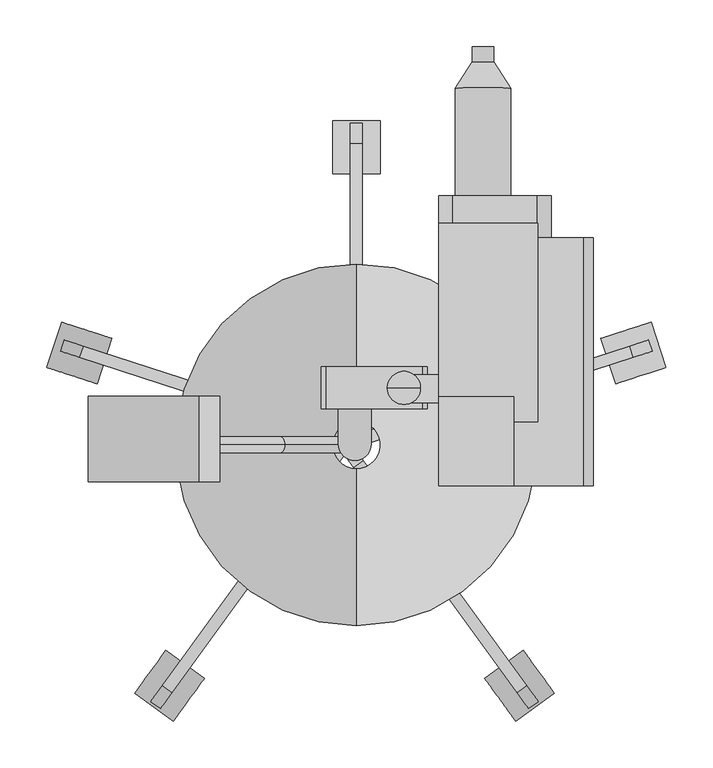
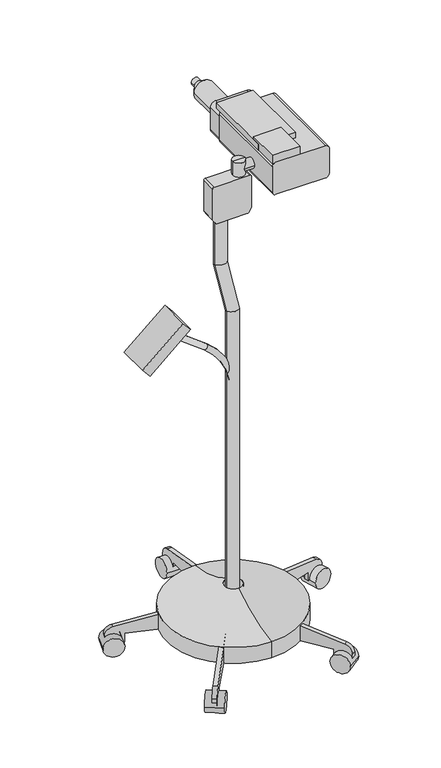
"""IFC4 building model written with IfcOpenShell, lengths in millimetres: proxy geometry."""

from ifc_helpers import new_model, si_unit, point, frame, frame_2d, origin, place, context, project, spatial, polyline, circle_curve, ellipse_curve, trimmed, segment, composite_curve, outline, extrude, source, transform, mapped, element, save
from ifc_brep_helpers import plane_surface, cylinder_surface, revolved_surface, advanced_brep


def specialty_equipment_b25eae7f(model_context):
    return source(origin(), model_context, "Body", "SolidModel", [
        advanced_brep(
        [(9.5714554, -4.1227801, 199.1860471), (-7.3618779, -4.1227801, 199.1860471), (-174.5404701, -4.1227801, 999.3949421), (-184.7312045, -4.1227801, 985.8713808), (9.5714554, -4.1227801, 755.1235479), (-7.3618779, -4.1227801, 755.1235479), (-84.9017657, -4.1227801, 910.6445029), (-74.7110313, -4.1227801, 924.1680642)],
        [
            (0, 1, circle_curve(frame((1.1047888, -4.1227801, 199.1860471), z_axis=(0.0, 0.0, -1.0), x_axis=(-1.0, 0.0, 0.0)), 8.4666667)),
            (1, 0, circle_curve(frame((1.1047888, -4.1227801, 199.1860471), z_axis=(0.0, 0.0, -1.0), x_axis=(-1.0, 0.0, 0.0)), 8.4666667)),
            (2, 3, circle_curve(frame((-179.6358373, -4.1227801, 992.6331615), z_axis=(-0.7986355100472928, 0.0, 0.6018150231520483), x_axis=(-0.6018150231520483, 0.0, -0.7986355100472928)), 8.4666667)),
            (3, 2, circle_curve(frame((-179.6358373, -4.1227801, 992.6331615), z_axis=(-0.7986355100472928, 0.0, 0.6018150231520483), x_axis=(-0.6018150231520483, 0.0, -0.7986355100472928)), 8.4666667)),
            (0, 4),
            (4, 5, circle_curve(frame((1.1047888, -4.1227801, 755.1235479), z_axis=(0.0, 0.0, -1.0), x_axis=(-1.0, 0.0, 0.0)), 8.4666667)),
            (5, 1),
            (5, 4, circle_curve(frame((1.1047888, -4.1227801, 755.1235479), z_axis=(0.0, 0.0, -1.0), x_axis=(-1.0, 0.0, 0.0)), 8.4666667)),
            (6, 5, circle_curve(frame((-202.0952112, -4.1227801, 755.1235479), z_axis=(0.0, 1.0, 0.0), x_axis=(1.0, 0.0, 0.0)), 194.7333333)),
            (4, 7, circle_curve(frame((-202.0952112, -4.1227801, 755.1235479), z_axis=(0.0, -1.0, 0.0), x_axis=(1.0, 0.0, 0.0)), 211.6666667)),
            (7, 6, circle_curve(frame((-79.8063985, -4.1227801, 917.4062836), z_axis=(0.7986355100472923, 0.0, -0.601815023152049), x_axis=(-0.601815023152049, 0.0, -0.7986355100472923)), 8.4666667)),
            (6, 7, circle_curve(frame((-79.8063985, -4.1227801, 917.4062836), z_axis=(0.7986355100472928, 0.0, -0.6018150231520484), x_axis=(-0.6018150231520484, 0.0, -0.7986355100472928)), 8.4666667)),
            (7, 2),
            (3, 6),
        ],
        [
            plane_surface(frame((1.1047888, -4.1227801, 199.1860471), z_axis=(0.0, 0.0, -1.0), x_axis=(0.0, -1.0, 0.0))),
            plane_surface(frame((-179.6358373, -4.1227801, 992.6331615), z_axis=(-0.798635510047293, 0.0, 0.6018150231520483), x_axis=(0.0, -1.0, 0.0))),
            cylinder_surface(frame((1.1047888, -4.1227801, 199.1860471), z_axis=(0.0, 0.0, -1.0), x_axis=(-1.0, 0.0, 0.0)), 8.4666667),
            revolved_surface(trimmed(ellipse_curve(frame((1.1047888, -4.1227801, 755.1235479), z_axis=(0.0, 0.0, -1.0), x_axis=(-1.0, 0.0, 0.0)), 8.4666667, 8.4666667), [point((9.5714554, -4.1227801, 755.1235479))], [point((-7.3618779, -4.1227801, 755.1235479))], True, "CARTESIAN"), (-202.0952112, -4.1227801, 755.1235479), (0.0, -1.0, 0.0)),
            revolved_surface(trimmed(ellipse_curve(frame((1.1047888, -4.1227801, 755.1235479), z_axis=(0.0, 0.0, -1.0), x_axis=(-1.0, 0.0, 0.0)), 8.4666667, 8.4666667), [point((-7.3618779, -4.1227801, 755.1235479))], [point((9.5714554, -4.1227801, 755.1235479))], True, "CARTESIAN"), (-202.0952112, -4.1227801, 755.1235479), (0.0, -1.0, 0.0)),
            cylinder_surface(frame((-79.8063985, -4.1227801, 917.4062836), z_axis=(0.7986355100472928, 0.0, -0.6018150231520483), x_axis=(-0.6018150231520483, 0.0, -0.7986355100472928)), 8.4666667),
        ],
        [
            (0, [[1, 2]]),
            (1, [[3, 4]]),
            (2, [[-1, 5, 6, 7]]),
            (2, [[-2, -7, 8, -5]]),
            (3, [[9, -6, 10, 11]]),
            (4, [[-10, -8, -9, 12]]),
            (5, [[-11, 13, -4, 14]]),
            (5, [[-12, -14, -3, -13]]),
        ],
    ),
        extrude(outline(polyline([(0.0, -155.9720028), (0.0, 0.0), (91.2068694, 0.0), (91.2068694, -155.9720028), (0.0, -155.9720028)])), frame((-262.5938418, -43.5678371, 914.6944203), z_axis=(-0.6560590289905099, 0.0, 0.7547095802227698), x_axis=(0.0, 1.0, 0.0)), (0.0, 0.0, 1.0), 34.0882121),
        advanced_brep(
        [(1.1047888, 21.2772198, 53.5835944), (1.1047888, -29.5227802, 53.5835944), (1.1047888, -197.1299211, 53.5835944), (1.1047888, 188.8843608, 53.5835944), (1.1047888, 21.2772198, 164.1860471), (1.1047888, -29.5227801, 164.1860471), (1.1047888, 188.8843608, 102.4303905), (1.1047888, -197.1299211, 102.4303905)],
        [
            (0, 1, circle_curve(frame((1.1047888, -4.1227802, 53.5835944), z_axis=(0.0, 0.0, 1.0), x_axis=(0.0, -1.0, 0.0)), 25.4)),
            (1, 2),
            (2, 3, circle_curve(frame((1.1047888, -4.1227802, 53.5835944), z_axis=(0.0, 0.0, -1.0), x_axis=(0.0, -1.0, 0.0)), 193.007141)),
            (3, 0),
            (1, 0, circle_curve(frame((1.1047888, -4.1227802, 53.5835944), z_axis=(0.0, 0.0, 1.0), x_axis=(0.0, -1.0, 0.0)), 25.4)),
            (3, 2, circle_curve(frame((1.1047888, -4.1227802, 53.5835944), z_axis=(0.0, 0.0, -1.0), x_axis=(0.0, -1.0, 0.0)), 193.007141)),
            (4, 5, circle_curve(frame((1.1047888, -4.1227802, 164.1860471), z_axis=(0.0, 0.0, 1.0), x_axis=(0.0, -1.0, 0.0)), 25.4)),
            (5, 1),
            (0, 4),
            (5, 4, circle_curve(frame((1.1047888, -4.1227802, 164.1860471), z_axis=(0.0, 0.0, 1.0), x_axis=(0.0, -1.0, 0.0)), 25.4)),
            (6, 7, circle_curve(frame((1.1047888, -4.1227802, 102.4303905), z_axis=(0.0, 0.0, 1.0), x_axis=(0.0, -1.0, 0.0)), 193.007141)),
            (7, 5, circle_curve(frame((1.1047888, -248.0724141, 499.0140294), z_axis=(1.0, 0.0, 0.0), x_axis=(0.0, 1.0, 0.0)), 399.8421192)),
            (4, 6, circle_curve(frame((1.1047888, 239.8268538, 499.0140294), z_axis=(1.0, 0.0, 0.0), x_axis=(0.0, -1.0, 0.0)), 399.8421192)),
            (7, 6, circle_curve(frame((1.1047888, -4.1227802, 102.4303905), z_axis=(0.0, 0.0, 1.0), x_axis=(0.0, -1.0, 0.0)), 193.007141)),
            (2, 7),
            (6, 3),
        ],
        [
            plane_surface(frame((1.1047888, -4.1227802, 53.5835944), z_axis=(0.0, 0.0, -1.0), x_axis=(0.0, -1.0, 0.0))),
            revolved_surface(polyline([(1.1047888, -29.5227801, 53.58359439999998), (1.1047888, -29.5227801, 164.1860471)]), (1.1047888, -4.1227801, 384.175), (0.0, 0.0, -1.0)),
            revolved_surface(trimmed(ellipse_curve(frame((1.1047888, -248.0724141, 499.0140294), z_axis=(-1.0, 0.0, 0.0), x_axis=(0.0, 1.0, 0.0)), 399.8421192, 399.8421192), [point((1.1047888, -29.5227801, 164.1860471))], [point((1.1047888, -197.1299211, 102.4303905))], True, "CARTESIAN"), (1.1047888, -4.1227801, 384.175), (0.0, 0.0, -1.0)),
            cylinder_surface(frame((1.1047888, -4.1227801, 384.175), z_axis=(0.0, 0.0, -1.0), x_axis=(0.0, -1.0, 0.0)), 193.007141),
        ],
        [
            (0, [[1, 2, 3, 4]]),
            (0, [[5, -4, 6, -2]]),
            (1, [[7, 8, -1, 9]]),
            (1, [[10, -9, -5, -8]]),
            (2, [[11, 12, -7, 13]]),
            (2, [[14, -13, -10, -12]]),
            (3, [[-3, 15, -11, 16]]),
            (3, [[-6, -16, -14, -15]]),
        ],
    ),
        extrude(outline(composite_curve([segment(trimmed(circle_curve(frame_2d((55.5045796, 1385.6294864)), 15.0), [point((70.5045796, 1385.6294864))], [point((40.5045796, 1385.6294864))], False, "CARTESIAN"), True, "CONTINUOUS"), segment(trimmed(circle_curve(frame_2d((55.5045796, 1385.6294864)), 15.0), [point((40.5045796, 1385.6294864))], [point((70.5045796, 1385.6294864))], False, "CARTESIAN"), True, "CONTINUOUS")], self_intersect=False)), frame((53.7457256, 0.0, 0.0), z_axis=(1.0, 0.0, 0.0), x_axis=(0.0, 1.0, 0.0)), (0.0, 0.0, 1.0), 45.0),
        extrude(outline(composite_curve([segment(trimmed(circle_curve(frame_2d((1435.6296176, 243.7417538)), 10.0), [point((1435.6296176, 253.7417538))], [point((1445.6296176, 243.7417538))], False, "CARTESIAN"), True, "CONTINUOUS"), segment(polyline([(1445.6296176, 243.7417538), (1445.6296176, 98.7457256)]), True, "CONTINUOUS"), segment(trimmed(circle_curve(frame_2d((1435.6296176, 98.7457256)), 10.0), [point((1445.6296176, 98.7457256))], [point((1435.6296176, 88.7457256))], False, "CARTESIAN"), True, "CONTINUOUS"), segment(polyline([(1435.6296176, 88.7457256), (1357.6296176, 88.7457256)]), True, "CONTINUOUS"), segment(trimmed(circle_curve(frame_2d((1357.6296176, 98.7457256)), 10.0), [point((1357.6296176, 88.7457256))], [point((1347.6296176, 98.7457256))], False, "CARTESIAN"), True, "CONTINUOUS"), segment(polyline([(1347.6296176, 98.7457256), (1347.6296176, 243.7417538)]), True, "CONTINUOUS"), segment(trimmed(circle_curve(frame_2d((1357.6296176, 243.7417538)), 10.0), [point((1347.6296176, 243.7417538))], [point((1357.6296176, 253.7417538))], False, "CARTESIAN"), True, "CONTINUOUS"), segment(polyline([(1357.6296176, 253.7417538), (1435.6296176, 253.7417538)]), True, "CONTINUOUS")], self_intersect=False)), frame((0.0, -48.0977783, 0.0), z_axis=(0.0, 1.0, 0.0), x_axis=(0.0, 0.0, 1.0)), (0.0, 0.0, 1.0), 264.5038808),
        extrude(outline(composite_curve([segment(trimmed(circle_curve(frame_2d((1430.6296176, 193.7480787)), 15.0), [point((1430.6296176, 208.7480787))], [point((1445.6296176, 193.7480787))], False, "CARTESIAN"), True, "CONTINUOUS"), segment(polyline([(1445.6296176, 193.7480787), (1445.6296176, 103.7501869)]), True, "CONTINUOUS"), segment(trimmed(circle_curve(frame_2d((1430.6296176, 103.7501869)), 15.0), [point((1445.6296176, 103.7501869))], [point((1430.6296176, 88.7501869))], False, "CARTESIAN"), True, "CONTINUOUS"), segment(polyline([(1430.6296176, 88.7501869), (1362.6296176, 88.7501869)]), True, "CONTINUOUS"), segment(trimmed(circle_curve(frame_2d((1362.6296176, 103.7501869)), 15.0), [point((1362.6296176, 88.7501869))], [point((1347.6296176, 103.7501869))], False, "CARTESIAN"), True, "CONTINUOUS"), segment(polyline([(1347.6296176, 103.7501869), (1347.6296176, 193.7480787)]), True, "CONTINUOUS"), segment(trimmed(circle_curve(frame_2d((1362.6296176, 193.7480787)), 15.0), [point((1347.6296176, 193.7480787))], [point((1362.6296176, 208.7480787))], False, "CARTESIAN"), True, "CONTINUOUS"), segment(polyline([(1362.6296176, 208.7480787), (1430.6296176, 208.7480787)]), True, "CONTINUOUS")], self_intersect=False)), frame((0.0, 216.4061025, 0.0), z_axis=(0.0, 1.0, 0.0), x_axis=(0.0, 0.0, 1.0)), (0.0, 0.0, 1.0), 45.0022441),
        advanced_brep(
        [(69.4375494, 56.5022228, 1347.6294864), (34.2485494, 56.5022228, 1347.6294864), (34.2485494, 56.5022228, 1407.6294864), (69.4375494, 56.5022228, 1407.6294864), (51.8430494, 56.5022228, 1347.6294864), (51.8430494, 56.5022228, 1407.6294864)],
        [
            (0, 1, circle_curve(frame((51.8430494, 56.5022228, 1347.6294864), z_axis=(0.0, 0.0, 1.0), x_axis=(-1.0, 0.0, 0.0)), 17.5945)),
            (1, 2),
            (2, 3, circle_curve(frame((51.8430494, 56.5022228, 1407.6294864), z_axis=(0.0, 0.0, -1.0), x_axis=(-1.0, 0.0, 0.0)), 17.5945)),
            (3, 0),
            (1, 0, circle_curve(frame((51.8430494, 56.5022228, 1347.6294864), z_axis=(0.0, 0.0, 1.0), x_axis=(-1.0, 0.0, 0.0)), 17.5945)),
            (3, 2, circle_curve(frame((51.8430494, 56.5022228, 1407.6294864), z_axis=(0.0, 0.0, -1.0), x_axis=(-1.0, 0.0, 0.0)), 17.5945)),
            (4, 1),
            (0, 4),
            (2, 5),
            (5, 3),
        ],
        [
            cylinder_surface(frame((51.8430494, 56.5022228, 1407.6294864), z_axis=(0.0, 0.0, -1.0), x_axis=(-1.0, 0.0, 0.0)), 17.5945),
            plane_surface(frame((51.8430494, 56.5022228, 1347.6294864), z_axis=(0.0, 0.0, -1.0), x_axis=(-1.0, 0.0, 0.0))),
            plane_surface(frame((51.8430494, 56.5022228, 1407.6294864), z_axis=(0.0, 0.0, 1.0), x_axis=(-1.0, 0.0, 0.0))),
        ],
        [
            (0, [[1, 2, 3, 4]]),
            (0, [[5, -4, 6, -2]]),
            (1, [[7, -1, 8]]),
            (1, [[-8, -5, -7]]),
            (2, [[-3, 9, 10]]),
            (2, [[-6, -10, -9]]),
        ],
    ),
        extrude(outline(composite_curve([segment(polyline([(1266.6294864, -36.2545116), (1254.0570076, -28.7110243)]), True, "CONTINUOUS"), segment(trimmed(circle_curve(frame_2d((1256.6294864, -24.4235597)), 5.0), [point((1254.0570076, -28.7110243))], [point((1251.6294864, -24.4235597))], False, "CARTESIAN"), True, "CONTINUOUS"), segment(polyline([(1251.6294864, -24.4235597), (1251.6294864, 64.9145365)]), True, "CONTINUOUS"), segment(trimmed(circle_curve(frame_2d((1256.6294864, 64.9145365)), 5.0), [point((1251.6294864, 64.9145365))], [point((1254.0570076, 69.2020011))], False, "CARTESIAN"), True, "CONTINUOUS"), segment(polyline([(1254.0570076, 69.2020011), (1266.6294864, 76.7454884), (1360.6294864, 76.7454884)]), True, "CONTINUOUS"), segment(trimmed(circle_curve(frame_2d((1360.6294864, 71.7454884)), 5.0), [point((1360.6294864, 76.7454884))], [point((1365.6294864, 71.7454884))], False, "CARTESIAN"), True, "CONTINUOUS"), segment(polyline([(1365.6294864, 71.7454884), (1365.6294864, -31.2545116)]), True, "CONTINUOUS"), segment(trimmed(circle_curve(frame_2d((1360.6294864, -31.2545116)), 5.0), [point((1365.6294864, -31.2545116))], [point((1360.6294864, -36.2545116))], False, "CARTESIAN"), True, "CONTINUOUS"), segment(polyline([(1360.6294864, -36.2545116), (1266.6294864, -36.2545116)]), True, "CONTINUOUS")], self_intersect=False)), frame((0.0, 34.1737023, 0.0), z_axis=(0.0, 1.0, 0.0), x_axis=(0.0, 0.0, 1.0)), (0.0, 0.0, 1.0), 45.00026),
        extrude(outline(polyline([(219.5799643, -14.0977783), (119.5799643, -14.0977783), (119.5799643, 85.9022217), (219.5799643, 85.9022217), (219.5799643, -14.0977783)])), frame((0.0, 0.0, 1327.6294864), z_axis=(0.0, 0.0, 1.0), x_axis=(1.0, 0.0, 0.0)), (0.0, 0.0, 1.0), 20.0),
        advanced_brep(
        [(165.7188387, 253.0667176, 1396.6296176), (106.4723153, 253.0667176, 1396.6296176), (106.4723153, 376.4081818, 1396.6296176), (165.7188387, 376.4081818, 1396.6296176), (136.095577, 253.0667176, 1396.6296176), (147.754077, 420.2720588, 1396.6296176), (124.437077, 420.2720588, 1396.6296176), (136.095577, 420.2720588, 1396.6296176), (147.754077, 404.4076844, 1396.6296176), (124.437077, 404.4076844, 1396.6296176)],
        [
            (0, 1, circle_curve(frame((136.095577, 253.0667176, 1396.6296176), z_axis=(0.0, 1.0, 0.0), x_axis=(-1.0, 0.0, 0.0)), 29.6232617)),
            (1, 2),
            (2, 3, circle_curve(frame((136.095577, 376.4081818, 1396.6296176), z_axis=(0.0, -1.0, 0.0), x_axis=(-1.0, 0.0, 0.0)), 29.6232617)),
            (3, 0),
            (1, 0, circle_curve(frame((136.095577, 253.0667176, 1396.6296176), z_axis=(0.0, 1.0, 0.0), x_axis=(-1.0, 0.0, 0.0)), 29.6232617)),
            (3, 2, circle_curve(frame((136.095577, 376.4081818, 1396.6296176), z_axis=(0.0, -1.0, 0.0), x_axis=(-1.0, 0.0, 0.0)), 29.6232617)),
            (4, 1),
            (0, 4),
            (5, 6, circle_curve(frame((136.095577, 420.2720588, 1396.6296176), z_axis=(0.0, 1.0, 0.0), x_axis=(-1.0, 0.0, 0.0)), 11.6585)),
            (6, 7),
            (7, 5),
            (6, 5, circle_curve(frame((136.095577, 420.2720588, 1396.6296176), z_axis=(0.0, 1.0, 0.0), x_axis=(-1.0, 0.0, 0.0)), 11.6585)),
            (8, 9, circle_curve(frame((136.095577, 404.4076844, 1396.6296176), z_axis=(0.0, 1.0, 0.0), x_axis=(-1.0, 0.0, 0.0)), 11.6585)),
            (9, 6),
            (5, 8),
            (9, 8, circle_curve(frame((136.095577, 404.4076844, 1396.6296176), z_axis=(0.0, 1.0, 0.0), x_axis=(-1.0, 0.0, 0.0)), 11.6585)),
            (2, 9),
            (8, 3),
        ],
        [
            cylinder_surface(frame((136.095577, 420.2720588, 1396.6296176), z_axis=(0.0, -1.0, 0.0), x_axis=(-1.0, 0.0, 0.0)), 29.6232617),
            plane_surface(frame((136.095577, 253.0667176, 1396.6296176), z_axis=(0.0, -1.0, 0.0), x_axis=(-1.0, 0.0, 0.0))),
            plane_surface(frame((136.095577, 420.2720588, 1396.6296176), z_axis=(0.0, 1.0, 0.0), x_axis=(-1.0, 0.0, 0.0))),
            cylinder_surface(frame((136.095577, 420.2720588, 1396.6296176), z_axis=(0.0, -1.0, 0.0), x_axis=(-1.0, 0.0, 0.0)), 11.6585),
            revolved_surface(polyline([(124.437077, 404.4076844, 1396.6296176), (106.4723153, 376.4081818, 1396.6296176)]), (136.095577, 420.2720588, 1396.6296176), (0.0, -1.0, 0.0)),
        ],
        [
            (0, [[1, 2, 3, 4]]),
            (0, [[5, -4, 6, -2]]),
            (1, [[7, -1, 8]]),
            (1, [[-8, -5, -7]]),
            (2, [[9, 10, 11]]),
            (2, [[12, -11, -10]]),
            (3, [[13, 14, -9, 15]]),
            (3, [[16, -15, -12, -14]]),
            (4, [[-3, 17, -13, 18]]),
            (4, [[-6, -18, -16, -17]]),
        ],
    ),
        extrude(outline(polyline([(194.6967089, 20.1087787), (88.7457256, 20.1087787), (88.7457256, 231.9022217), (194.6967089, 231.9022217), (194.6967089, 20.1087787)])), frame((0.0, 0.0, 1445.6294864), z_axis=(0.0, 0.0, 1.0), x_axis=(1.0, 0.0, 0.0)), (0.0, 0.0, 1.0), 17.112),
        extrude(outline(polyline([(168.7457256, -48.0977783), (88.7457256, -48.0977783), (88.7457256, 46.9022217), (168.7457256, 46.9022217), (168.7457256, -48.0977783)])), frame((0.0, 0.0, 1445.6294864), z_axis=(0.0, 0.0, 1.0), x_axis=(1.0, 0.0, 0.0)), (0.0, 0.0, 1.0), 25.0),
        advanced_brep(
        [(-18.074839, -3.2411259, 123.6267572), (16.925161, -3.2411259, 123.6267572), (-18.074839, -3.2411259, 1003.6267572), (16.925161, -3.2411259, 1003.6267572), (-18.074839, 57.8652006, 1109.4660194), (16.925161, 57.8652006, 1109.4660194), (-18.074839, 57.8652006, 1302.4904964), (16.925161, 57.8652006, 1302.4904964)],
        [
            (0, 1, circle_curve(frame((-0.574839, -3.2411259, 123.6267572), z_axis=(0.0, 0.0, -1.0), x_axis=(1.0, 0.0, 0.0)), 17.5)),
            (1, 0, circle_curve(frame((-0.574839, -3.2411259, 123.6267572), z_axis=(0.0, 0.0, -1.0), x_axis=(1.0, 0.0, 0.0)), 17.5)),
            (0, 2),
            (2, 3, ellipse_curve(frame((-0.574839, -3.2411259, 1003.6267572), z_axis=(0.0, -0.2588190451025213, -0.9659258262890681), x_axis=(0.0, 0.9659258262890681, -0.25881904510252146)), 18.1173332, 17.5)),
            (3, 1),
            (3, 2, ellipse_curve(frame((-0.574839, -3.2411259, 1003.6267572), z_axis=(0.0, -0.2588190451025213, -0.9659258262890681), x_axis=(0.0, 0.9659258262890681, -0.25881904510252146)), 18.1173332, 17.5)),
            (2, 4),
            (4, 5, ellipse_curve(frame((-0.574839, 57.8652006, 1109.4660194), z_axis=(0.0, -0.25881904510252135, -0.9659258262890681), x_axis=(0.0, -0.9659258262890682, 0.25881904510252146)), 18.1173332, 17.5)),
            (5, 3),
            (5, 4, ellipse_curve(frame((-0.574839, 57.8652006, 1109.4660194), z_axis=(0.0, -0.25881904510252135, -0.9659258262890681), x_axis=(0.0, -0.9659258262890682, 0.25881904510252146)), 18.1173332, 17.5)),
            (6, 7, circle_curve(frame((-0.574839, 57.8652006, 1302.4904964), z_axis=(0.0, 0.0, 1.0), x_axis=(1.0, 0.0, 0.0)), 17.5)),
            (7, 6, circle_curve(frame((-0.574839, 57.8652006, 1302.4904964), z_axis=(0.0, 0.0, 1.0), x_axis=(1.0, 0.0, 0.0)), 17.5)),
            (4, 6),
            (7, 5),
        ],
        [
            plane_surface(frame((-0.574839, -3.2411259, 123.6267572), z_axis=(0.0, 0.0, -1.0), x_axis=(1.0, 0.0, 0.0))),
            cylinder_surface(frame((-0.574839, -3.2411259, 123.6267572), z_axis=(0.0, 0.0, -1.0), x_axis=(1.0, 0.0, 0.0)), 17.5),
            cylinder_surface(frame((-0.574839, -3.2411259, 1003.6267572), z_axis=(0.0, -0.4999999999999996, -0.8660254037844388), x_axis=(1.0, 0.0, 0.0)), 17.5),
            plane_surface(frame((-0.574839, 57.8652006, 1302.4904964), z_axis=(0.0, 0.0, 1.0), x_axis=(1.0, 0.0, 0.0))),
            cylinder_surface(frame((-0.574839, 57.8652006, 1109.4660194), z_axis=(0.0, 0.0, -1.0), x_axis=(1.0, 0.0, 0.0)), 17.5),
        ],
        [
            (0, [[1, 2]]),
            (1, [[-1, 3, 4, 5]]),
            (1, [[-2, -5, 6, -3]]),
            (2, [[-4, 7, 8, 9]]),
            (2, [[-6, -9, 10, -7]]),
            (3, [[11, 12]]),
            (4, [[-8, 13, -12, 14]]),
            (4, [[-10, -14, -11, -13]]),
        ],
    ),
        extrude(outline(composite_curve([segment(trimmed(circle_curve(frame_2d((0.0, -28.2002727)), 28.2002727), [point((0.0, -56.4005455))], [point((0.0, 0.0))], False, "CARTESIAN"), True, "CONTINUOUS"), segment(trimmed(circle_curve(frame_2d((0.0, -28.2002727)), 28.2002727), [point((0.0, 0.0))], [point((0.0, -56.4005455))], False, "CARTESIAN"), True, "CONTINUOUS")], self_intersect=False)), frame((331.3047888, 78.5476436, 28.1835944), z_axis=(-0.3090169943749423, 0.9510565162951553, 0.0), x_axis=(0.0, 0.0, 1.0)), (0.0, 0.0, 1.0), 50.8),
        extrude(outline(composite_curve([segment(polyline([(-25.4, 0.0), (0.0, 0.0), (0.0, -50.8), (-24.303053, -50.8)]), True, "CONTINUOUS"), segment(trimmed(circle_curve(frame_2d((-24.303053, -25.4)), 25.4), [point((-24.303053, -50.8))], [point((-49.3171699, -29.8106637))], False, "CARTESIAN"), True, "CONTINUOUS"), segment(polyline([(-49.3171699, -29.8106637), (-101.6, 266.7), (-101.6, 292.1), (-25.4, 292.1), (-25.4, 0.0)]), True, "CONTINUOUS")], self_intersect=False)), frame((268.1706551, 80.101875, 28.1835944), z_axis=(-0.3090169943749423, 0.9510565162951553, 0.0), x_axis=(0.0, 0.0, -1.0)), (0.0, 0.0, 1.0), 12.7),
        extrude(outline(composite_curve([segment(trimmed(circle_curve(frame_2d((0.0, -28.2002726)), 28.2002727), [point((0.0, -56.4005454))], [point((0.0, 0.0))], False, "CARTESIAN"), True, "CONTINUOUS"), segment(trimmed(circle_curve(frame_2d((0.0, -28.2002726)), 28.2002727), [point((0.0, 0.0))], [point((0.0, -56.4005454))], False, "CARTESIAN"), True, "CONTINUOUS")], self_intersect=False)), frame((171.0532791, -298.7299211, 28.1835944), z_axis=(0.8090169943749499, 0.5877852522924699, 0.0), x_axis=(0.0, 0.0, 1.0)), (0.0, 0.0, 1.0), 50.8),
        extrude(outline(composite_curve([segment(polyline([(-25.4, 0.0), (0.0, 0.0), (0.0, -50.8), (-24.303053, -50.8)]), True, "CONTINUOUS"), segment(trimmed(circle_curve(frame_2d((-24.303053, -25.3999999)), 25.4), [point((-24.303053, -50.8))], [point((-49.3171699, -29.8106636))], False, "CARTESIAN"), True, "CONTINUOUS"), segment(polyline([(-49.3171699, -29.8106636), (-101.6, 266.7), (-101.6, 292.1), (-25.4, 292.1), (-25.4, 0.0)]), True, "CONTINUOUS")], self_intersect=False)), frame((154.9596031, -244.1690806, 28.1835944), z_axis=(0.8090169943749499, 0.5877852522924699, 0.0), x_axis=(0.0, 0.0, -1.0)), (0.0, 0.0, 1.0), 12.7),
        extrude(outline(composite_curve([segment(trimmed(circle_curve(frame_2d((0.0, -28.2002726)), 28.2002727), [point((0.0, -56.4005454))], [point((0.0, 0.0))], False, "CARTESIAN"), True, "CONTINUOUS"), segment(trimmed(circle_curve(frame_2d((0.0, -28.2002726)), 28.2002727), [point((0.0, 0.0))], [point((0.0, -56.4005454))], False, "CARTESIAN"), True, "CONTINUOUS")], self_intersect=False)), frame((-194.2437016, -298.7299211, 28.1835944), z_axis=(-0.8090169943749458, 0.5877852522924754, 0.0), x_axis=(0.0, 0.0, -1.0)), (0.0, 0.0, 1.0), 50.8),
        extrude(outline(composite_curve([segment(polyline([(25.4, 0.0), (25.4, 292.1), (101.6, 292.1), (101.6, 266.7), (49.3171699, -29.8106637)]), True, "CONTINUOUS"), segment(trimmed(circle_curve(frame_2d((24.303053, -25.3999999)), 25.4), [point((49.3171699, -29.8106637))], [point((24.303053, -50.8))], False, "CARTESIAN"), True, "CONTINUOUS"), segment(polyline([(24.303053, -50.8), (0.0, -50.8), (0.0, 0.0), (25.4, 0.0)]), True, "CONTINUOUS")], self_intersect=False)), frame((-178.1500255, -244.1690806, 28.1835944), z_axis=(-0.8090169943749459, 0.5877852522924754, 0.0), x_axis=(0.0, 0.0, 1.0)), (0.0, 0.0, 1.0), 12.7),
        extrude(outline(composite_curve([segment(trimmed(circle_curve(frame_2d((0.0, -28.2002727)), 28.2002727), [point((0.0, -56.4005454))], [point((0.0, 0.0))], False, "CARTESIAN"), True, "CONTINUOUS"), segment(trimmed(circle_curve(frame_2d((0.0, -28.2002727)), 28.2002727), [point((0.0, 0.0))], [point((0.0, -56.4005454))], False, "CARTESIAN"), True, "CONTINUOUS")], self_intersect=False)), frame((-329.0952112, 78.5476436, 28.1835944), z_axis=(0.3090169943749487, 0.9510565162951532, 0.0), x_axis=(0.0, 0.0, -1.0)), (0.0, 0.0, 1.0), 50.8),
        extrude(outline(composite_curve([segment(polyline([(25.4, 0.0), (25.4, 292.1), (101.6, 292.1), (101.6, 266.6999999), (49.3171699, -29.8106637)]), True, "CONTINUOUS"), segment(trimmed(circle_curve(frame_2d((24.303053, -25.4000001)), 25.4), [point((49.3171699, -29.8106637))], [point((24.303053, -50.8000001))], False, "CARTESIAN"), True, "CONTINUOUS"), segment(polyline([(24.303053, -50.8000001), (0.0, -50.8000001), (0.0, 0.0), (25.4, 0.0)]), True, "CONTINUOUS")], self_intersect=False)), frame((-265.9610775, 80.101875, 28.1835944), z_axis=(0.3090169943749487, 0.9510565162951532, 0.0), x_axis=(0.0, 0.0, 1.0)), (0.0, 0.0, 1.0), 12.7),
        extrude(outline(composite_curve([segment(trimmed(circle_curve(frame_2d((313.3772199, 28.1835944)), 28.2002727), [point((285.1769471, 28.1835944))], [point((341.5774926, 28.1835944))], False, "CARTESIAN"), True, "CONTINUOUS"), segment(trimmed(circle_curve(frame_2d((313.3772199, 28.1835944)), 28.2002727), [point((341.5774926, 28.1835944))], [point((285.1769471, 28.1835944))], False, "CARTESIAN"), True, "CONTINUOUS")], self_intersect=False)), frame((-24.2952112, 0.0, 0.0), z_axis=(1.0, 0.0, 0.0), x_axis=(0.0, 1.0, 0.0)), (0.0, 0.0, 1.0), 50.8),
        extrude(outline(composite_curve([segment(polyline([(287.9772199, 53.5835944), (-4.1227801, 53.5835944), (-4.1227801, 129.7835944), (21.2772199, 129.7835944), (317.7878836, 77.5007643)]), True, "CONTINUOUS"), segment(trimmed(circle_curve(frame_2d((313.3772199, 52.4866474)), 25.4), [point((317.7878836, 77.5007643))], [point((338.7772199, 52.4866474))], False, "CARTESIAN"), True, "CONTINUOUS"), segment(polyline([(338.7772199, 52.4866474), (338.7772199, 28.1835944), (287.9772199, 28.1835944), (287.9772199, 53.5835944)]), True, "CONTINUOUS")], self_intersect=False)), frame((-5.2452112, 0.0, 0.0), z_axis=(1.0, 0.0, 0.0), x_axis=(0.0, 1.0, 0.0)), (0.0, 0.0, 1.0), 12.7),
    ])


if __name__ == "__main__":
    model = new_model("IFC4")
    model_context = context("Model", 3, world=origin())
    ifc_project = project(units=[si_unit("LENGTHUNIT", "METRE", prefix="MILLI")], contexts=[model_context])
    site = spatial("IfcSite", under=ifc_project)
    building = spatial("IfcBuilding", under=site)
    placement = place(None, origin())
    specialty_equipment_shape = specialty_equipment_b25eae7f(model_context)
    element("IfcBuildingElementProxy", 1, Name="Specialty Equipment", at=placement, inside=building, context=model_context, shape_type="MappedRepresentation", body=[
        mapped(specialty_equipment_shape, transform((0.0, 0.0, 0.0), x_axis=(1.0, 0.0, 0.0), y_axis=(0.0, 1.0, 0.0), z_axis=(0.0, 0.0, 1.0))),
    ])
    save(model, "model.ifc")
